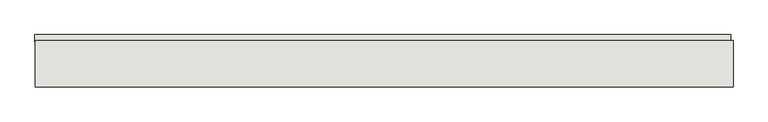
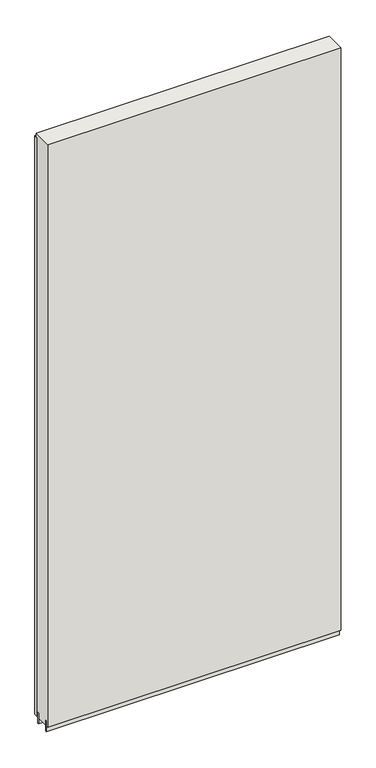
"""IFC4 building model written with IfcOpenShell, lengths in millimetres: wall geometry."""

from ifc_helpers import new_model, si_unit, frame, origin, place, context, project, spatial, polyline, outline, extrude, source, transform, mapped, element, save


def wall_ba78c09a(model_context):
    return source(origin(), model_context, "Body", "SweptSolid", [
        extrude(outline(polyline([(55116.708918, -44700.2036398), (55114.168918, -44700.2036398), (55114.168918, -44697.6636398), (55116.708918, -44697.6636398), (55116.708918, -44700.2036398)])), frame((0.0, 0.0, 4419.6), z_axis=(0.0, 0.0, 1.0), x_axis=(1.0, 0.0, 0.0)), (0.0, 0.0, 1.0), 2.54),
        extrude(outline(polyline([(53897.0420914, -44648.1336398), (55112.2420994, -44648.1336398), (55112.2420994, -44660.8336398), (53897.0420914, -44660.8336398), (53897.0420914, -44648.1336398)])), frame((0.0, 0.0, 4445.0), z_axis=(0.0, 0.0, 1.0), x_axis=(1.0, 0.0, 0.0)), (0.0, 0.0, 1.0), 2545.0498756),
        extrude(outline(polyline([(55116.703965, -44673.8498952), (53897.503965, -44673.8498952), (53897.503965, -44668.7711398), (55116.703965, -44668.7711398), (55116.703965, -44673.8498952)])), frame((0.0, 0.0, 4418.6602), z_axis=(0.0, 0.0, 1.0), x_axis=(1.0, 0.0, 0.0)), (0.0, 0.0, 1.0), 47.625),
        extrude(outline(polyline([(55116.703965, -44673.8498952), (53897.503965, -44673.8498952), (53897.503965, -44668.7711398), (55116.703965, -44668.7711398), (55116.703965, -44673.8498952)])), frame((0.0, 0.0, 4418.6602), z_axis=(0.0, 0.0, 1.0), x_axis=(1.0, 0.0, 0.0)), (0.0, 0.0, 1.0), 47.625),
        extrude(outline(polyline([(53897.503965, -44724.0142856), (55116.703965, -44724.0142856), (55116.703965, -44729.0961398), (53897.503965, -44729.0961398), (53897.503965, -44724.0142856)])), frame((0.0, 0.0, 4418.6602), z_axis=(0.0, 0.0, 1.0), x_axis=(1.0, 0.0, 0.0)), (0.0, 0.0, 1.0), 47.625),
        extrude(outline(polyline([(53897.503965, -44724.0142856), (55116.703965, -44724.0142856), (55116.703965, -44729.0961398), (53897.503965, -44729.0961398), (53897.503965, -44724.0142856)])), frame((0.0, 0.0, 4418.6602), z_axis=(0.0, 0.0, 1.0), x_axis=(1.0, 0.0, 0.0)), (0.0, 0.0, 1.0), 47.625),
        extrude(outline(polyline([(55116.703965, -44658.30667), (55116.703965, -44739.5854254), (53897.503965, -44739.5854254), (53897.503965, -44658.30667), (55116.703965, -44658.30667)])), frame((0.0, 0.0, 4445.0), z_axis=(0.0, 0.0, 1.0), x_axis=(1.0, 0.0, 0.0)), (0.0, 0.0, 1.0), 2562.4536762),
    ])


if __name__ == "__main__":
    model = new_model("IFC4")
    model_context = context("Model", 3, world=origin())
    ifc_project = project(units=[si_unit("LENGTHUNIT", "METRE", prefix="MILLI")], contexts=[model_context])
    site = spatial("IfcSite", under=ifc_project)
    building = spatial("IfcBuilding", under=site)
    placement = place(None, origin())
    wall_shape = wall_ba78c09a(model_context)
    element("IfcWall", 1, at=placement, inside=building, context=model_context, shape_type="MappedRepresentation", body=[
        mapped(wall_shape, transform((0.0, 0.0, 0.0), x_axis=(1.0, 0.0, 0.0), y_axis=(0.0, 1.0, 0.0), z_axis=(0.0, 0.0, 1.0))),
    ])
    save(model, "model.ifc")
